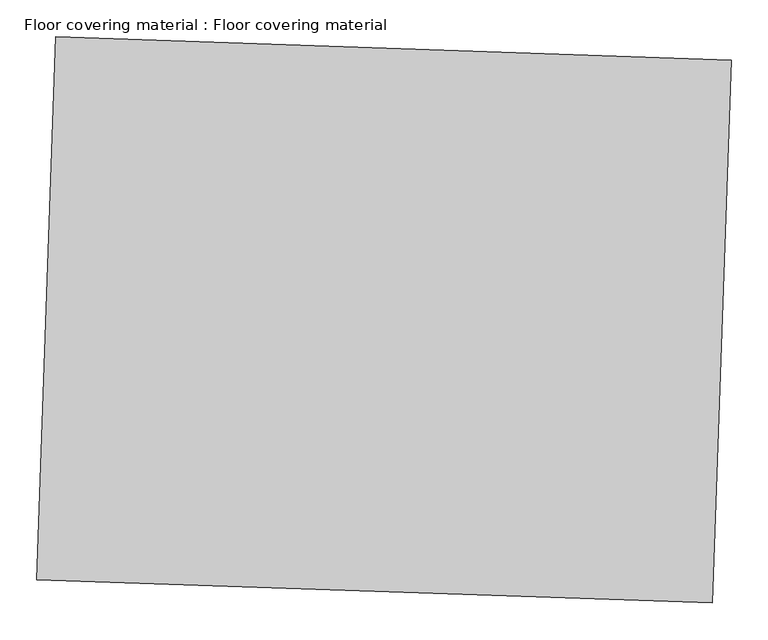
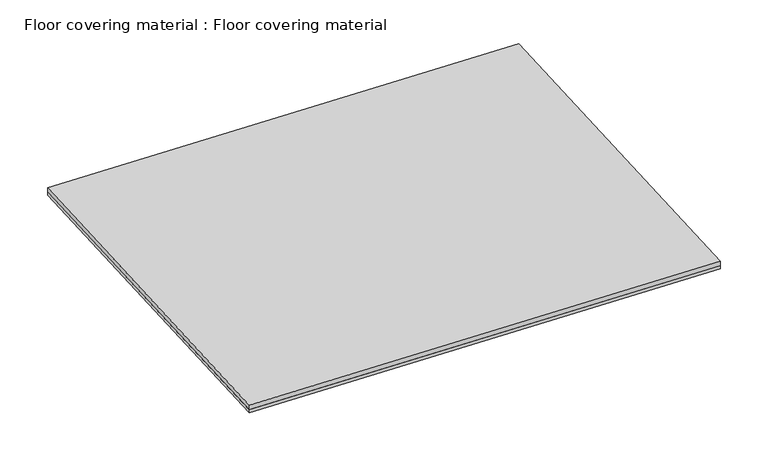
"""IFC4 building model written with IfcOpenShell, lengths in millimetres: proxy geometry, Floor covering material : Floor covering material."""

from ifc_helpers import new_model, si_unit, frame, origin, place, context, project, spatial, polyline, outline, extrude, source, transform, mapped, element, save


def floor_covering_material_floor_covering_material_d3dbff91(model_context):
    return source(origin(), model_context, "Body", "SweptSolid", [
        extrude(outline(polyline([(33405.2924431, -16474.15306), (33430.4409135, -15739.286166), (34344.3059419, -15770.5602753), (34319.1574715, -16505.4271693), (33405.2924431, -16474.15306)])), frame((0.0, 0.0, 152.4), z_axis=(0.0, 0.0, 1.0), x_axis=(1.0, 0.0, 0.0)), (0.0, 0.0, 1.0), 6.35),
        extrude(outline(polyline([(33405.2924431, -16474.15306), (33430.4409135, -15739.286166), (34344.3059419, -15770.5602753), (34319.1574715, -16505.4271693), (33405.2924431, -16474.15306)])), frame((0.0, 0.0, 158.75), z_axis=(0.0, 0.0, 1.0), x_axis=(1.0, 0.0, 0.0)), (0.0, 0.0, 1.0), 9.525),
    ])


if __name__ == "__main__":
    model = new_model("IFC4")
    model_context = context("Model", 3, world=origin())
    ifc_project = project(units=[si_unit("LENGTHUNIT", "METRE", prefix="MILLI")], contexts=[model_context])
    site = spatial("IfcSite", under=ifc_project)
    building = spatial("IfcBuilding", under=site)
    placement = place(None, origin())
    floor_covering_material_floor_covering_material_shape = floor_covering_material_floor_covering_material_d3dbff91(model_context)
    element("IfcBuildingElementProxy", 1, Name="Floor covering material : Floor covering material", ObjectType="Floor covering material : Floor covering material", at=placement, inside=building, context=model_context, shape_type="MappedRepresentation", body=[
        mapped(floor_covering_material_floor_covering_material_shape, transform((0.0, 0.0, 0.0), x_axis=(1.0, 0.0, 0.0), y_axis=(0.0, 1.0, 0.0), z_axis=(0.0, 0.0, 1.0))),
    ])
    save(model, "model.ifc")
